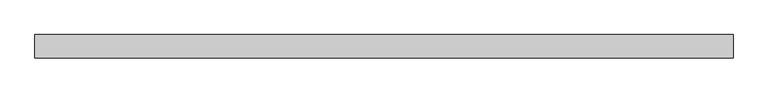
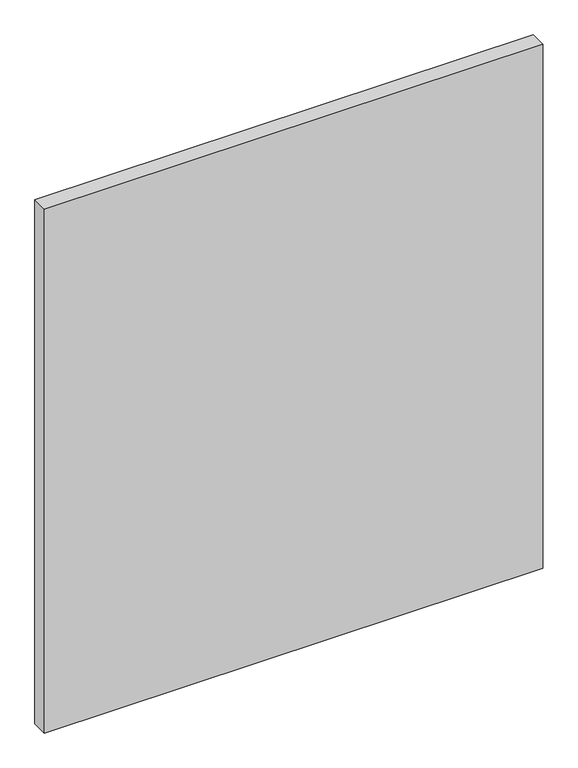
"""IFC4 building model written with IfcOpenShell, lengths in millimetres: plate geometry."""

from ifc_helpers import new_model, si_unit, origin, origin_with_axes, place, context, project, spatial, polyline, outline, extrude, source, transform, mapped, element, save


def plate_613e7aa7(model_context):
    return source(origin(), model_context, "Body", "SweptSolid", [
        extrude(outline(polyline([(526.3125, -17.5), (-526.3125, -17.5), (-526.3125, 17.5), (526.3125, 17.5), (526.3125, -17.5)])), origin_with_axes(), (0.0, 0.0, 1.0), 1170.0),
    ])


if __name__ == "__main__":
    model = new_model("IFC4")
    model_context = context("Model", 3, world=origin())
    ifc_project = project(units=[si_unit("LENGTHUNIT", "METRE", prefix="MILLI")], contexts=[model_context])
    site = spatial("IfcSite", under=ifc_project)
    building = spatial("IfcBuilding", under=site)
    placement = place(None, origin())
    plate_shape = plate_613e7aa7(model_context)
    element("IfcPlate", 1, at=placement, inside=building, context=model_context, shape_type="MappedRepresentation", body=[
        mapped(plate_shape, transform((0.0, 0.0, 0.0), x_axis=(1.0, 0.0, 0.0), y_axis=(0.0, 1.0, 0.0), z_axis=(0.0, 0.0, 1.0))),
    ])
    save(model, "model.ifc")
